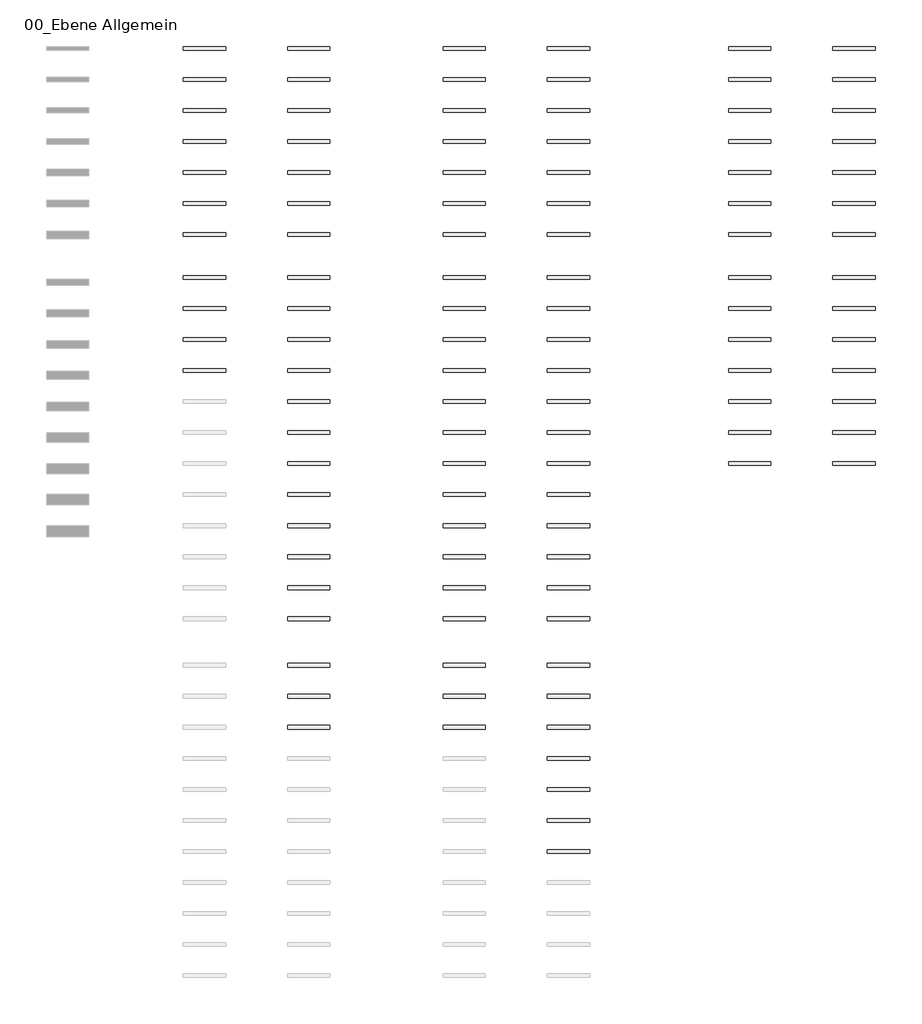
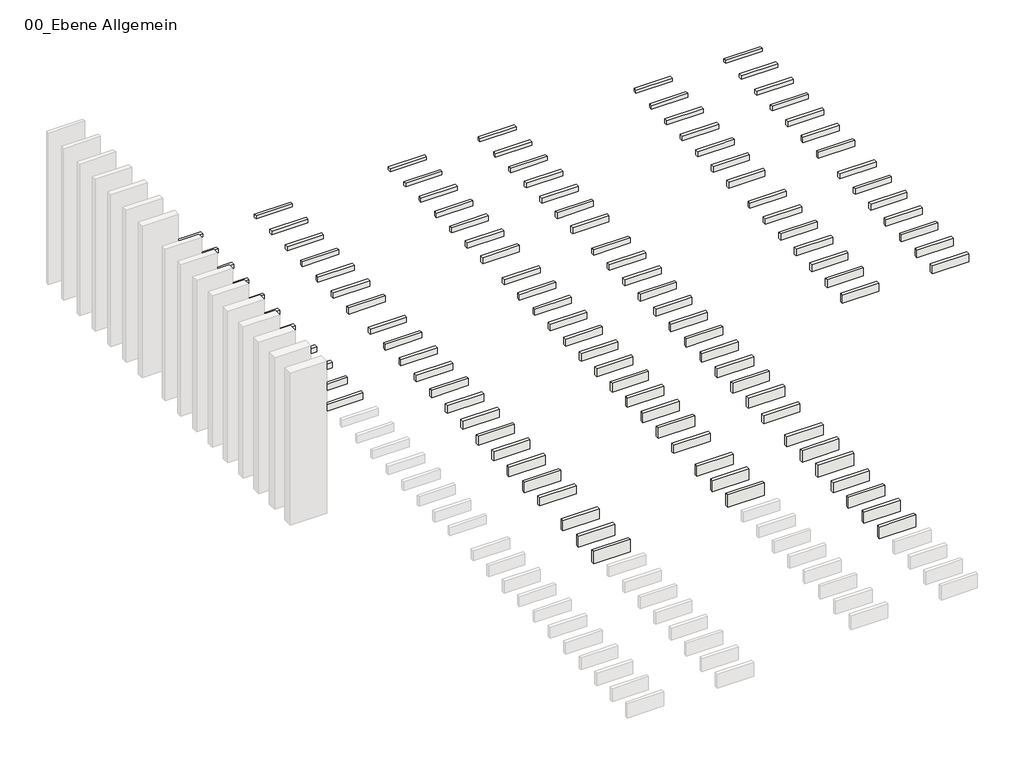
# One storey, part 2 of 2: 61 slabs, 48 roofs.
"""IFC4 building model written with IfcOpenShell, lengths in millimetres."""

from ifc_helpers import new_model, si_unit, frame, origin, origin_with_axes, place, context, project, spatial, polyline, outline, extrude, element, save

model = new_model("IFC4")

# Units and contexts
model_context = context("Model", 3, world=origin())
ifc_project = project(units=[si_unit("LENGTHUNIT", "METRE", prefix="MILLI")], contexts=[model_context])

# Site, building, storey
site = spatial("IfcSite", under=ifc_project)
building = spatial("IfcBuilding", under=site)
storey = spatial("IfcBuildingStorey", under=building, Name="00_Ebene Allgemein", Elevation=0.0)

# Roofs
placement = place(None, origin())
element("IfcRoof", 1, at=placement, inside=storey, context=model_context, shape_type="SweptSolid", body=[
    extrude(outline(polyline([(10896.5117268, 13246.5708866), (11576.5117268, 13246.5708866), (11576.5117268, 13186.5708866), (10896.5117268, 13186.5708866), (10896.5117268, 13246.5708866)])), origin_with_axes(), (0.0, 0.0, 1.0), 60.0),
])
element("IfcRoof", 2, at=placement, inside=storey, context=model_context, shape_type="SweptSolid", body=[
    extrude(outline(polyline([(10896.5117268, 12746.5708866), (11576.5117268, 12746.5708866), (11576.5117268, 12686.5708866), (10896.5117268, 12686.5708866), (10896.5117268, 12746.5708866)])), origin_with_axes(), (0.0, 0.0, 1.0), 70.0),
])
element("IfcRoof", 3, at=placement, inside=storey, context=model_context, shape_type="SweptSolid", body=[
    extrude(outline(polyline([(10896.5117268, 12246.5708866), (11576.5117268, 12246.5708866), (11576.5117268, 12186.5708866), (10896.5117268, 12186.5708866), (10896.5117268, 12246.5708866)])), origin_with_axes(), (0.0, 0.0, 1.0), 80.0),
])
element("IfcRoof", 4, at=placement, inside=storey, context=model_context, shape_type="SweptSolid", body=[
    extrude(outline(polyline([(10896.5117268, 11746.5708866), (11576.5117268, 11746.5708866), (11576.5117268, 11686.5708866), (10896.5117268, 11686.5708866), (10896.5117268, 11746.5708866)])), origin_with_axes(), (0.0, 0.0, 1.0), 90.0),
])
element("IfcRoof", 5, at=placement, inside=storey, context=model_context, shape_type="SweptSolid", body=[
    extrude(outline(polyline([(10896.5117268, 11246.5708866), (11576.5117268, 11246.5708866), (11576.5117268, 11186.5708866), (10896.5117268, 11186.5708866), (10896.5117268, 11246.5708866)])), origin_with_axes(), (0.0, 0.0, 1.0), 100.0),
])
element("IfcRoof", 6, at=placement, inside=storey, context=model_context, shape_type="SweptSolid", body=[
    extrude(outline(polyline([(10896.5117268, 10746.5708866), (11576.5117268, 10746.5708866), (11576.5117268, 10686.5708866), (10896.5117268, 10686.5708866), (10896.5117268, 10746.5708866)])), origin_with_axes(), (0.0, 0.0, 1.0), 110.0),
])
element("IfcRoof", 7, at=placement, inside=storey, context=model_context, shape_type="SweptSolid", body=[
    extrude(outline(polyline([(10896.5117268, 10246.5708866), (11576.5117268, 10246.5708866), (11576.5117268, 10186.5708866), (10896.5117268, 10186.5708866), (10896.5117268, 10246.5708866)])), origin_with_axes(), (0.0, 0.0, 1.0), 120.0),
])
element("IfcRoof", 8, at=placement, inside=storey, context=model_context, shape_type="SweptSolid", body=[
    extrude(outline(polyline([(10896.5117268, 9556.5463096), (11576.5117268, 9556.5463096), (11576.5117268, 9496.5463096), (10896.5117268, 9496.5463096), (10896.5117268, 9556.5463096)])), origin_with_axes(), (0.0, 0.0, 1.0), 100.0),
])
element("IfcRoof", 9, at=placement, inside=storey, context=model_context, shape_type="SweptSolid", body=[
    extrude(outline(polyline([(10896.5117268, 9056.5463096), (11576.5117268, 9056.5463096), (11576.5117268, 8996.5463096), (10896.5117268, 8996.5463096), (10896.5117268, 9056.5463096)])), origin_with_axes(), (0.0, 0.0, 1.0), 110.0),
])
element("IfcRoof", 10, at=placement, inside=storey, context=model_context, shape_type="SweptSolid", body=[
    extrude(outline(polyline([(10896.5117268, 8556.5463096), (11576.5117268, 8556.5463096), (11576.5117268, 8496.5463096), (10896.5117268, 8496.5463096), (10896.5117268, 8556.5463096)])), origin_with_axes(), (0.0, 0.0, 1.0), 120.0),
])
element("IfcRoof", 11, at=placement, inside=storey, context=model_context, shape_type="SweptSolid", body=[
    extrude(outline(polyline([(10896.5117268, 8056.5463096), (11576.5117268, 8056.5463096), (11576.5117268, 7996.5463096), (10896.5117268, 7996.5463096), (10896.5117268, 8056.5463096)])), origin_with_axes(), (0.0, 0.0, 1.0), 130.0),
])
element("IfcRoof", 12, at=placement, inside=storey, context=model_context, shape_type="SweptSolid", body=[
    extrude(outline(polyline([(10896.5117268, 7556.5463096), (11576.5117268, 7556.5463096), (11576.5117268, 7496.5463096), (10896.5117268, 7496.5463096), (10896.5117268, 7556.5463096)])), origin_with_axes(), (0.0, 0.0, 1.0), 140.0),
])
element("IfcRoof", 13, at=placement, inside=storey, context=model_context, shape_type="SweptSolid", body=[
    extrude(outline(polyline([(10896.5117268, 7056.5463096), (11576.5117268, 7056.5463096), (11576.5117268, 6996.5463096), (10896.5117268, 6996.5463096), (10896.5117268, 7056.5463096)])), origin_with_axes(), (0.0, 0.0, 1.0), 150.0),
])
element("IfcRoof", 14, at=placement, inside=storey, context=model_context, shape_type="SweptSolid", body=[
    extrude(outline(polyline([(10896.5117268, 6556.5463096), (11576.5117268, 6556.5463096), (11576.5117268, 6496.5463096), (10896.5117268, 6496.5463096), (10896.5117268, 6556.5463096)])), origin_with_axes(), (0.0, 0.0, 1.0), 160.0),
])
element("IfcRoof", 15, at=placement, inside=storey, context=model_context, shape_type="SweptSolid", body=[
    extrude(outline(polyline([(10896.5117268, 6056.5463096), (11576.5117268, 6056.5463096), (11576.5117268, 5996.5463096), (10896.5117268, 5996.5463096), (10896.5117268, 6056.5463096)])), origin_with_axes(), (0.0, 0.0, 1.0), 170.0),
])
element("IfcRoof", 16, at=placement, inside=storey, context=model_context, shape_type="SweptSolid", body=[
    extrude(outline(polyline([(10896.5117268, 5556.5463096), (11576.5117268, 5556.5463096), (11576.5117268, 5496.5463096), (10896.5117268, 5496.5463096), (10896.5117268, 5556.5463096)])), origin_with_axes(), (0.0, 0.0, 1.0), 180.0),
])
element("IfcRoof", 17, at=placement, inside=storey, context=model_context, shape_type="SweptSolid", body=[
    extrude(outline(polyline([(10896.5117268, 5056.5463096), (11576.5117268, 5056.5463096), (11576.5117268, 4996.5463096), (10896.5117268, 4996.5463096), (10896.5117268, 5056.5463096)])), origin_with_axes(), (0.0, 0.0, 1.0), 190.0),
])
element("IfcRoof", 18, at=placement, inside=storey, context=model_context, shape_type="SweptSolid", body=[
    extrude(outline(polyline([(10896.5117268, 4556.5463096), (11576.5117268, 4556.5463096), (11576.5117268, 4496.5463096), (10896.5117268, 4496.5463096), (10896.5117268, 4556.5463096)])), origin_with_axes(), (0.0, 0.0, 1.0), 200.0),
])
element("IfcRoof", 19, at=placement, inside=storey, context=model_context, shape_type="SweptSolid", body=[
    extrude(outline(polyline([(10896.5117268, 4056.5463096), (11576.5117268, 4056.5463096), (11576.5117268, 3996.5463096), (10896.5117268, 3996.5463096), (10896.5117268, 4056.5463096)])), origin_with_axes(), (0.0, 0.0, 1.0), 160.0),
])
element("IfcRoof", 20, at=placement, inside=storey, context=model_context, shape_type="SweptSolid", body=[
    extrude(outline(polyline([(10896.5117268, 3306.5217326), (11576.5117268, 3306.5217326), (11576.5117268, 3246.5217326), (10896.5117268, 3246.5217326), (10896.5117268, 3306.5217326)])), origin_with_axes(), (0.0, 0.0, 1.0), 200.0),
])
element("IfcRoof", 21, at=placement, inside=storey, context=model_context, shape_type="SweptSolid", body=[
    extrude(outline(polyline([(10896.5117268, 2806.5217326), (11576.5117268, 2806.5217326), (11576.5117268, 2746.5217326), (10896.5117268, 2746.5217326), (10896.5117268, 2806.5217326)])), origin_with_axes(), (0.0, 0.0, 1.0), 220.0),
])
element("IfcRoof", 22, at=placement, inside=storey, context=model_context, shape_type="SweptSolid", body=[
    extrude(outline(polyline([(10896.5117268, 2306.5217326), (11576.5117268, 2306.5217326), (11576.5117268, 2246.5217326), (10896.5117268, 2246.5217326), (10896.5117268, 2306.5217326)])), origin_with_axes(), (0.0, 0.0, 1.0), 240.0),
])
element("IfcRoof", 23, at=placement, inside=storey, context=model_context, shape_type="SweptSolid", body=[
    extrude(outline(polyline([(12576.5117268, 13246.5708866), (13256.5117268, 13246.5708866), (13256.5117268, 13186.5708866), (12576.5117268, 13186.5708866), (12576.5117268, 13246.5708866)])), origin_with_axes(), (0.0, 0.0, 1.0), 60.0),
])
element("IfcRoof", 24, at=placement, inside=storey, context=model_context, shape_type="SweptSolid", body=[
    extrude(outline(polyline([(12576.5117268, 12746.5708866), (13256.5117268, 12746.5708866), (13256.5117268, 12686.5708866), (12576.5117268, 12686.5708866), (12576.5117268, 12746.5708866)])), origin_with_axes(), (0.0, 0.0, 1.0), 70.0),
])
element("IfcRoof", 25, at=placement, inside=storey, context=model_context, shape_type="SweptSolid", body=[
    extrude(outline(polyline([(12576.5117268, 12246.5708866), (13256.5117268, 12246.5708866), (13256.5117268, 12186.5708866), (12576.5117268, 12186.5708866), (12576.5117268, 12246.5708866)])), origin_with_axes(), (0.0, 0.0, 1.0), 80.0),
])
element("IfcRoof", 26, at=placement, inside=storey, context=model_context, shape_type="SweptSolid", body=[
    extrude(outline(polyline([(12576.5117268, 11746.5708866), (13256.5117268, 11746.5708866), (13256.5117268, 11686.5708866), (12576.5117268, 11686.5708866), (12576.5117268, 11746.5708866)])), origin_with_axes(), (0.0, 0.0, 1.0), 90.0),
])
element("IfcRoof", 27, at=placement, inside=storey, context=model_context, shape_type="SweptSolid", body=[
    extrude(outline(polyline([(12576.5117268, 11246.5708866), (13256.5117268, 11246.5708866), (13256.5117268, 11186.5708866), (12576.5117268, 11186.5708866), (12576.5117268, 11246.5708866)])), origin_with_axes(), (0.0, 0.0, 1.0), 100.0),
])
element("IfcRoof", 28, at=placement, inside=storey, context=model_context, shape_type="SweptSolid", body=[
    extrude(outline(polyline([(12576.5117268, 10746.5708866), (13256.5117268, 10746.5708866), (13256.5117268, 10686.5708866), (12576.5117268, 10686.5708866), (12576.5117268, 10746.5708866)])), origin_with_axes(), (0.0, 0.0, 1.0), 110.0),
])
element("IfcRoof", 29, at=placement, inside=storey, context=model_context, shape_type="SweptSolid", body=[
    extrude(outline(polyline([(12576.5117268, 10246.5708866), (13256.5117268, 10246.5708866), (13256.5117268, 10186.5708866), (12576.5117268, 10186.5708866), (12576.5117268, 10246.5708866)])), origin_with_axes(), (0.0, 0.0, 1.0), 120.0),
])
element("IfcRoof", 30, at=placement, inside=storey, context=model_context, shape_type="SweptSolid", body=[
    extrude(outline(polyline([(12576.5117268, 9556.5463096), (13256.5117268, 9556.5463096), (13256.5117268, 9496.5463096), (12576.5117268, 9496.5463096), (12576.5117268, 9556.5463096)])), origin_with_axes(), (0.0, 0.0, 1.0), 100.0),
])
element("IfcRoof", 31, at=placement, inside=storey, context=model_context, shape_type="SweptSolid", body=[
    extrude(outline(polyline([(12576.5117268, 9056.5463096), (13256.5117268, 9056.5463096), (13256.5117268, 8996.5463096), (12576.5117268, 8996.5463096), (12576.5117268, 9056.5463096)])), origin_with_axes(), (0.0, 0.0, 1.0), 110.0),
])
element("IfcRoof", 32, at=placement, inside=storey, context=model_context, shape_type="SweptSolid", body=[
    extrude(outline(polyline([(12576.5117268, 8556.5463096), (13256.5117268, 8556.5463096), (13256.5117268, 8496.5463096), (12576.5117268, 8496.5463096), (12576.5117268, 8556.5463096)])), origin_with_axes(), (0.0, 0.0, 1.0), 120.0),
])
element("IfcRoof", 33, at=placement, inside=storey, context=model_context, shape_type="SweptSolid", body=[
    extrude(outline(polyline([(12576.5117268, 8056.5463096), (13256.5117268, 8056.5463096), (13256.5117268, 7996.5463096), (12576.5117268, 7996.5463096), (12576.5117268, 8056.5463096)])), origin_with_axes(), (0.0, 0.0, 1.0), 130.0),
])
element("IfcRoof", 34, at=placement, inside=storey, context=model_context, shape_type="SweptSolid", body=[
    extrude(outline(polyline([(12576.5117268, 7556.5463096), (13256.5117268, 7556.5463096), (13256.5117268, 7496.5463096), (12576.5117268, 7496.5463096), (12576.5117268, 7556.5463096)])), origin_with_axes(), (0.0, 0.0, 1.0), 140.0),
])
element("IfcRoof", 35, at=placement, inside=storey, context=model_context, shape_type="SweptSolid", body=[
    extrude(outline(polyline([(12576.5117268, 7056.5463096), (13256.5117268, 7056.5463096), (13256.5117268, 6996.5463096), (12576.5117268, 6996.5463096), (12576.5117268, 7056.5463096)])), origin_with_axes(), (0.0, 0.0, 1.0), 150.0),
])
element("IfcRoof", 36, at=placement, inside=storey, context=model_context, shape_type="SweptSolid", body=[
    extrude(outline(polyline([(12576.5117268, 6556.5463096), (13256.5117268, 6556.5463096), (13256.5117268, 6496.5463096), (12576.5117268, 6496.5463096), (12576.5117268, 6556.5463096)])), origin_with_axes(), (0.0, 0.0, 1.0), 160.0),
])
element("IfcRoof", 37, at=placement, inside=storey, context=model_context, shape_type="SweptSolid", body=[
    extrude(outline(polyline([(12576.5117268, 6056.5463096), (13256.5117268, 6056.5463096), (13256.5117268, 5996.5463096), (12576.5117268, 5996.5463096), (12576.5117268, 6056.5463096)])), origin_with_axes(), (0.0, 0.0, 1.0), 170.0),
])
element("IfcRoof", 38, at=placement, inside=storey, context=model_context, shape_type="SweptSolid", body=[
    extrude(outline(polyline([(12576.5117268, 5556.5463096), (13256.5117268, 5556.5463096), (13256.5117268, 5496.5463096), (12576.5117268, 5496.5463096), (12576.5117268, 5556.5463096)])), origin_with_axes(), (0.0, 0.0, 1.0), 180.0),
])
element("IfcRoof", 39, at=placement, inside=storey, context=model_context, shape_type="SweptSolid", body=[
    extrude(outline(polyline([(12576.5117268, 5056.5463096), (13256.5117268, 5056.5463096), (13256.5117268, 4996.5463096), (12576.5117268, 4996.5463096), (12576.5117268, 5056.5463096)])), origin_with_axes(), (0.0, 0.0, 1.0), 190.0),
])
element("IfcRoof", 40, at=placement, inside=storey, context=model_context, shape_type="SweptSolid", body=[
    extrude(outline(polyline([(12576.5117268, 4556.5463096), (13256.5117268, 4556.5463096), (13256.5117268, 4496.5463096), (12576.5117268, 4496.5463096), (12576.5117268, 4556.5463096)])), origin_with_axes(), (0.0, 0.0, 1.0), 200.0),
])
element("IfcRoof", 41, at=placement, inside=storey, context=model_context, shape_type="SweptSolid", body=[
    extrude(outline(polyline([(12576.5117268, 4056.5463096), (13256.5117268, 4056.5463096), (13256.5117268, 3996.5463096), (12576.5117268, 3996.5463096), (12576.5117268, 4056.5463096)])), origin_with_axes(), (0.0, 0.0, 1.0), 160.0),
])
element("IfcRoof", 42, at=placement, inside=storey, context=model_context, shape_type="SweptSolid", body=[
    extrude(outline(polyline([(12576.5117268, 3306.5217326), (13256.5117268, 3306.5217326), (13256.5117268, 3246.5217326), (12576.5117268, 3246.5217326), (12576.5117268, 3306.5217326)])), origin_with_axes(), (0.0, 0.0, 1.0), 200.0),
])
element("IfcRoof", 43, at=placement, inside=storey, context=model_context, shape_type="SweptSolid", body=[
    extrude(outline(polyline([(12576.5117268, 2806.5217326), (13256.5117268, 2806.5217326), (13256.5117268, 2746.5217326), (12576.5117268, 2746.5217326), (12576.5117268, 2806.5217326)])), origin_with_axes(), (0.0, 0.0, 1.0), 220.0),
])
element("IfcRoof", 44, at=placement, inside=storey, context=model_context, shape_type="SweptSolid", body=[
    extrude(outline(polyline([(12576.5117268, 2306.5217326), (13256.5117268, 2306.5217326), (13256.5117268, 2246.5217326), (12576.5117268, 2246.5217326), (12576.5117268, 2306.5217326)])), origin_with_axes(), (0.0, 0.0, 1.0), 240.0),
])
element("IfcRoof", 45, at=placement, inside=storey, context=model_context, shape_type="SweptSolid", body=[
    extrude(outline(polyline([(12576.5117268, 1806.5217326), (13256.5117268, 1806.5217326), (13256.5117268, 1746.5217326), (12576.5117268, 1746.5217326), (12576.5117268, 1806.5217326)])), origin_with_axes(), (0.0, 0.0, 1.0), 200.0),
])
element("IfcRoof", 46, at=placement, inside=storey, context=model_context, shape_type="SweptSolid", body=[
    extrude(outline(polyline([(12576.5117268, 1306.5217326), (13256.5117268, 1306.5217326), (13256.5117268, 1246.5217326), (12576.5117268, 1246.5217326), (12576.5117268, 1306.5217326)])), origin_with_axes(), (0.0, 0.0, 1.0), 210.0),
])
element("IfcRoof", 47, at=placement, inside=storey, context=model_context, shape_type="SweptSolid", body=[
    extrude(outline(polyline([(12576.5117268, 806.5217326), (13256.5117268, 806.5217326), (13256.5117268, 746.5217326), (12576.5117268, 746.5217326), (12576.5117268, 806.5217326)])), origin_with_axes(), (0.0, 0.0, 1.0), 220.0),
])
element("IfcRoof", 48, at=placement, inside=storey, context=model_context, shape_type="SweptSolid", body=[
    extrude(outline(polyline([(12576.5117268, 306.5217326), (13256.5117268, 306.5217326), (13256.5117268, 246.5217326), (12576.5117268, 246.5217326), (12576.5117268, 306.5217326)])), origin_with_axes(), (0.0, 0.0, 1.0), 230.0),
])

# Slabs
element("IfcSlab", 49, at=placement, inside=storey, context=model_context, shape_type="SweptSolid", body=[
    extrude(outline(polyline([(6710.9873688, 13246.5708866), (7390.9873688, 13246.5708866), (7390.9873688, 13186.5708866), (6710.9873688, 13186.5708866), (6710.9873688, 13246.5708866)])), frame((0.0, 0.0, -60.0), z_axis=(0.0, 0.0, 1.0), x_axis=(1.0, 0.0, 0.0)), (0.0, 0.0, 1.0), 60.0),
])
element("IfcSlab", 50, at=placement, inside=storey, context=model_context, shape_type="SweptSolid", body=[
    extrude(outline(polyline([(6710.9873688, 12746.5708866), (7390.9873688, 12746.5708866), (7390.9873688, 12686.5708866), (6710.9873688, 12686.5708866), (6710.9873688, 12746.5708866)])), frame((0.0, 0.0, -70.0), z_axis=(0.0, 0.0, 1.0), x_axis=(1.0, 0.0, 0.0)), (0.0, 0.0, 1.0), 70.0),
])
element("IfcSlab", 51, at=placement, inside=storey, context=model_context, shape_type="SweptSolid", body=[
    extrude(outline(polyline([(6710.9873688, 12246.5708866), (7390.9873688, 12246.5708866), (7390.9873688, 12186.5708866), (6710.9873688, 12186.5708866), (6710.9873688, 12246.5708866)])), frame((0.0, 0.0, -80.0), z_axis=(0.0, 0.0, 1.0), x_axis=(1.0, 0.0, 0.0)), (0.0, 0.0, 1.0), 80.0),
])
element("IfcSlab", 52, at=placement, inside=storey, context=model_context, shape_type="SweptSolid", body=[
    extrude(outline(polyline([(6710.9873688, 11746.5708866), (7390.9873688, 11746.5708866), (7390.9873688, 11686.5708866), (6710.9873688, 11686.5708866), (6710.9873688, 11746.5708866)])), frame((0.0, 0.0, -90.0), z_axis=(0.0, 0.0, 1.0), x_axis=(1.0, 0.0, 0.0)), (0.0, 0.0, 1.0), 90.0),
])
element("IfcSlab", 53, at=placement, inside=storey, context=model_context, shape_type="SweptSolid", body=[
    extrude(outline(polyline([(6710.9873688, 11246.5708866), (7390.9873688, 11246.5708866), (7390.9873688, 11186.5708866), (6710.9873688, 11186.5708866), (6710.9873688, 11246.5708866)])), frame((0.0, 0.0, -100.0), z_axis=(0.0, 0.0, 1.0), x_axis=(1.0, 0.0, 0.0)), (0.0, 0.0, 1.0), 100.0),
])
element("IfcSlab", 54, at=placement, inside=storey, context=model_context, shape_type="SweptSolid", body=[
    extrude(outline(polyline([(6710.9873688, 10746.5708866), (7390.9873688, 10746.5708866), (7390.9873688, 10686.5708866), (6710.9873688, 10686.5708866), (6710.9873688, 10746.5708866)])), frame((0.0, 0.0, -110.0), z_axis=(0.0, 0.0, 1.0), x_axis=(1.0, 0.0, 0.0)), (0.0, 0.0, 1.0), 110.0),
])
element("IfcSlab", 55, at=placement, inside=storey, context=model_context, shape_type="SweptSolid", body=[
    extrude(outline(polyline([(6710.9873688, 10246.5708866), (7390.9873688, 10246.5708866), (7390.9873688, 10186.5708866), (6710.9873688, 10186.5708866), (6710.9873688, 10246.5708866)])), frame((0.0, 0.0, -120.0), z_axis=(0.0, 0.0, 1.0), x_axis=(1.0, 0.0, 0.0)), (0.0, 0.0, 1.0), 120.0),
])
element("IfcSlab", 56, at=placement, inside=storey, context=model_context, shape_type="SweptSolid", body=[
    extrude(outline(polyline([(6710.9873688, 9556.5463096), (7390.9873688, 9556.5463096), (7390.9873688, 9496.5463096), (6710.9873688, 9496.5463096), (6710.9873688, 9556.5463096)])), frame((0.0, 0.0, -100.0), z_axis=(0.0, 0.0, 1.0), x_axis=(1.0, 0.0, 0.0)), (0.0, 0.0, 1.0), 100.0),
])
element("IfcSlab", 57, at=placement, inside=storey, context=model_context, shape_type="SweptSolid", body=[
    extrude(outline(polyline([(6710.9873688, 9056.5463096), (7390.9873688, 9056.5463096), (7390.9873688, 8996.5463096), (6710.9873688, 8996.5463096), (6710.9873688, 9056.5463096)])), frame((0.0, 0.0, -110.0), z_axis=(0.0, 0.0, 1.0), x_axis=(1.0, 0.0, 0.0)), (0.0, 0.0, 1.0), 110.0),
])
element("IfcSlab", 58, at=placement, inside=storey, context=model_context, shape_type="SweptSolid", body=[
    extrude(outline(polyline([(6710.9873688, 8556.5463096), (7390.9873688, 8556.5463096), (7390.9873688, 8496.5463096), (6710.9873688, 8496.5463096), (6710.9873688, 8556.5463096)])), frame((0.0, 0.0, -120.0), z_axis=(0.0, 0.0, 1.0), x_axis=(1.0, 0.0, 0.0)), (0.0, 0.0, 1.0), 120.0),
])
element("IfcSlab", 59, at=placement, inside=storey, context=model_context, shape_type="SweptSolid", body=[
    extrude(outline(polyline([(6710.9873688, 8056.5463096), (7390.9873688, 8056.5463096), (7390.9873688, 7996.5463096), (6710.9873688, 7996.5463096), (6710.9873688, 8056.5463096)])), frame((0.0, 0.0, -130.0), z_axis=(0.0, 0.0, 1.0), x_axis=(1.0, 0.0, 0.0)), (0.0, 0.0, 1.0), 130.0),
])
element("IfcSlab", 60, at=placement, inside=storey, context=model_context, shape_type="SweptSolid", body=[
    extrude(outline(polyline([(8390.9873688, 13246.5708866), (9070.9873688, 13246.5708866), (9070.9873688, 13186.5708866), (8390.9873688, 13186.5708866), (8390.9873688, 13246.5708866)])), frame((0.0, 0.0, -60.0), z_axis=(0.0, 0.0, 1.0), x_axis=(1.0, 0.0, 0.0)), (0.0, 0.0, 1.0), 60.0),
])
element("IfcSlab", 61, at=placement, inside=storey, context=model_context, shape_type="SweptSolid", body=[
    extrude(outline(polyline([(8390.9873688, 12746.5708866), (9070.9873688, 12746.5708866), (9070.9873688, 12686.5708866), (8390.9873688, 12686.5708866), (8390.9873688, 12746.5708866)])), frame((0.0, 0.0, -70.0), z_axis=(0.0, 0.0, 1.0), x_axis=(1.0, 0.0, 0.0)), (0.0, 0.0, 1.0), 70.0),
])
element("IfcSlab", 62, at=placement, inside=storey, context=model_context, shape_type="SweptSolid", body=[
    extrude(outline(polyline([(8390.9873688, 12246.5708866), (9070.9873688, 12246.5708866), (9070.9873688, 12186.5708866), (8390.9873688, 12186.5708866), (8390.9873688, 12246.5708866)])), frame((0.0, 0.0, -80.0), z_axis=(0.0, 0.0, 1.0), x_axis=(1.0, 0.0, 0.0)), (0.0, 0.0, 1.0), 80.0),
])
element("IfcSlab", 63, at=placement, inside=storey, context=model_context, shape_type="SweptSolid", body=[
    extrude(outline(polyline([(8390.9873688, 11746.5708866), (9070.9873688, 11746.5708866), (9070.9873688, 11686.5708866), (8390.9873688, 11686.5708866), (8390.9873688, 11746.5708866)])), frame((0.0, 0.0, -90.0), z_axis=(0.0, 0.0, 1.0), x_axis=(1.0, 0.0, 0.0)), (0.0, 0.0, 1.0), 90.0),
])
element("IfcSlab", 64, at=placement, inside=storey, context=model_context, shape_type="SweptSolid", body=[
    extrude(outline(polyline([(8390.9873688, 11246.5708866), (9070.9873688, 11246.5708866), (9070.9873688, 11186.5708866), (8390.9873688, 11186.5708866), (8390.9873688, 11246.5708866)])), frame((0.0, 0.0, -100.0), z_axis=(0.0, 0.0, 1.0), x_axis=(1.0, 0.0, 0.0)), (0.0, 0.0, 1.0), 100.0),
])
element("IfcSlab", 65, at=placement, inside=storey, context=model_context, shape_type="SweptSolid", body=[
    extrude(outline(polyline([(8390.9873688, 10746.5708866), (9070.9873688, 10746.5708866), (9070.9873688, 10686.5708866), (8390.9873688, 10686.5708866), (8390.9873688, 10746.5708866)])), frame((0.0, 0.0, -110.0), z_axis=(0.0, 0.0, 1.0), x_axis=(1.0, 0.0, 0.0)), (0.0, 0.0, 1.0), 110.0),
])
element("IfcSlab", 66, at=placement, inside=storey, context=model_context, shape_type="SweptSolid", body=[
    extrude(outline(polyline([(8390.9873688, 10246.5708866), (9070.9873688, 10246.5708866), (9070.9873688, 10186.5708866), (8390.9873688, 10186.5708866), (8390.9873688, 10246.5708866)])), frame((0.0, 0.0, -120.0), z_axis=(0.0, 0.0, 1.0), x_axis=(1.0, 0.0, 0.0)), (0.0, 0.0, 1.0), 120.0),
])
element("IfcSlab", 67, at=placement, inside=storey, context=model_context, shape_type="SweptSolid", body=[
    extrude(outline(polyline([(8390.9873688, 9556.5463096), (9070.9873688, 9556.5463096), (9070.9873688, 9496.5463096), (8390.9873688, 9496.5463096), (8390.9873688, 9556.5463096)])), frame((0.0, 0.0, -100.0), z_axis=(0.0, 0.0, 1.0), x_axis=(1.0, 0.0, 0.0)), (0.0, 0.0, 1.0), 100.0),
])
element("IfcSlab", 68, at=placement, inside=storey, context=model_context, shape_type="SweptSolid", body=[
    extrude(outline(polyline([(8390.9873688, 9056.5463096), (9070.9873688, 9056.5463096), (9070.9873688, 8996.5463096), (8390.9873688, 8996.5463096), (8390.9873688, 9056.5463096)])), frame((0.0, 0.0, -110.0), z_axis=(0.0, 0.0, 1.0), x_axis=(1.0, 0.0, 0.0)), (0.0, 0.0, 1.0), 110.0),
])
element("IfcSlab", 69, at=placement, inside=storey, context=model_context, shape_type="SweptSolid", body=[
    extrude(outline(polyline([(8390.9873688, 8556.5463096), (9070.9873688, 8556.5463096), (9070.9873688, 8496.5463096), (8390.9873688, 8496.5463096), (8390.9873688, 8556.5463096)])), frame((0.0, 0.0, -120.0), z_axis=(0.0, 0.0, 1.0), x_axis=(1.0, 0.0, 0.0)), (0.0, 0.0, 1.0), 120.0),
])
element("IfcSlab", 70, at=placement, inside=storey, context=model_context, shape_type="SweptSolid", body=[
    extrude(outline(polyline([(8390.9873688, 8056.5463096), (9070.9873688, 8056.5463096), (9070.9873688, 7996.5463096), (8390.9873688, 7996.5463096), (8390.9873688, 8056.5463096)])), frame((0.0, 0.0, -130.0), z_axis=(0.0, 0.0, 1.0), x_axis=(1.0, 0.0, 0.0)), (0.0, 0.0, 1.0), 130.0),
])
element("IfcSlab", 71, at=placement, inside=storey, context=model_context, shape_type="SweptSolid", body=[
    extrude(outline(polyline([(8390.9873688, 7556.5463096), (9070.9873688, 7556.5463096), (9070.9873688, 7496.5463096), (8390.9873688, 7496.5463096), (8390.9873688, 7556.5463096)])), frame((0.0, 0.0, -140.0), z_axis=(0.0, 0.0, 1.0), x_axis=(1.0, 0.0, 0.0)), (0.0, 0.0, 1.0), 140.0),
])
element("IfcSlab", 72, at=placement, inside=storey, context=model_context, shape_type="SweptSolid", body=[
    extrude(outline(polyline([(8390.9873688, 7056.5463096), (9070.9873688, 7056.5463096), (9070.9873688, 6996.5463096), (8390.9873688, 6996.5463096), (8390.9873688, 7056.5463096)])), frame((0.0, 0.0, -150.0), z_axis=(0.0, 0.0, 1.0), x_axis=(1.0, 0.0, 0.0)), (0.0, 0.0, 1.0), 150.0),
])
element("IfcSlab", 73, at=placement, inside=storey, context=model_context, shape_type="SweptSolid", body=[
    extrude(outline(polyline([(8390.9873688, 6556.5463096), (9070.9873688, 6556.5463096), (9070.9873688, 6496.5463096), (8390.9873688, 6496.5463096), (8390.9873688, 6556.5463096)])), frame((0.0, 0.0, -160.0), z_axis=(0.0, 0.0, 1.0), x_axis=(1.0, 0.0, 0.0)), (0.0, 0.0, 1.0), 160.0),
])
element("IfcSlab", 74, at=placement, inside=storey, context=model_context, shape_type="SweptSolid", body=[
    extrude(outline(polyline([(8390.9873688, 6056.5463096), (9070.9873688, 6056.5463096), (9070.9873688, 5996.5463096), (8390.9873688, 5996.5463096), (8390.9873688, 6056.5463096)])), frame((0.0, 0.0, -170.0), z_axis=(0.0, 0.0, 1.0), x_axis=(1.0, 0.0, 0.0)), (0.0, 0.0, 1.0), 170.0),
])
element("IfcSlab", 75, at=placement, inside=storey, context=model_context, shape_type="SweptSolid", body=[
    extrude(outline(polyline([(8390.9873688, 5556.5463096), (9070.9873688, 5556.5463096), (9070.9873688, 5496.5463096), (8390.9873688, 5496.5463096), (8390.9873688, 5556.5463096)])), frame((0.0, 0.0, -180.0), z_axis=(0.0, 0.0, 1.0), x_axis=(1.0, 0.0, 0.0)), (0.0, 0.0, 1.0), 180.0),
])
element("IfcSlab", 76, at=placement, inside=storey, context=model_context, shape_type="SweptSolid", body=[
    extrude(outline(polyline([(8390.9873688, 5056.5463096), (9070.9873688, 5056.5463096), (9070.9873688, 4996.5463096), (8390.9873688, 4996.5463096), (8390.9873688, 5056.5463096)])), frame((0.0, 0.0, -190.0), z_axis=(0.0, 0.0, 1.0), x_axis=(1.0, 0.0, 0.0)), (0.0, 0.0, 1.0), 190.0),
])
element("IfcSlab", 77, at=placement, inside=storey, context=model_context, shape_type="SweptSolid", body=[
    extrude(outline(polyline([(8390.9873688, 4556.5463096), (9070.9873688, 4556.5463096), (9070.9873688, 4496.5463096), (8390.9873688, 4496.5463096), (8390.9873688, 4556.5463096)])), frame((0.0, 0.0, -200.0), z_axis=(0.0, 0.0, 1.0), x_axis=(1.0, 0.0, 0.0)), (0.0, 0.0, 1.0), 200.0),
])
element("IfcSlab", 78, at=placement, inside=storey, context=model_context, shape_type="SweptSolid", body=[
    extrude(outline(polyline([(8390.9873688, 4056.5463096), (9070.9873688, 4056.5463096), (9070.9873688, 3996.5463096), (8390.9873688, 3996.5463096), (8390.9873688, 4056.5463096)])), frame((0.0, 0.0, -160.0), z_axis=(0.0, 0.0, 1.0), x_axis=(1.0, 0.0, 0.0)), (0.0, 0.0, 1.0), 160.0),
])
element("IfcSlab", 79, at=placement, inside=storey, context=model_context, shape_type="SweptSolid", body=[
    extrude(outline(polyline([(8390.9873688, 3306.5217326), (9070.9873688, 3306.5217326), (9070.9873688, 3246.5217326), (8390.9873688, 3246.5217326), (8390.9873688, 3306.5217326)])), frame((0.0, 0.0, -200.0), z_axis=(0.0, 0.0, 1.0), x_axis=(1.0, 0.0, 0.0)), (0.0, 0.0, 1.0), 200.0),
])
element("IfcSlab", 80, at=placement, inside=storey, context=model_context, shape_type="SweptSolid", body=[
    extrude(outline(polyline([(8390.9873688, 2806.5217326), (9070.9873688, 2806.5217326), (9070.9873688, 2746.5217326), (8390.9873688, 2746.5217326), (8390.9873688, 2806.5217326)])), frame((0.0, 0.0, -220.0), z_axis=(0.0, 0.0, 1.0), x_axis=(1.0, 0.0, 0.0)), (0.0, 0.0, 1.0), 220.0),
])
element("IfcSlab", 81, at=placement, inside=storey, context=model_context, shape_type="SweptSolid", body=[
    extrude(outline(polyline([(8390.9873688, 2306.5217326), (9070.9873688, 2306.5217326), (9070.9873688, 2246.5217326), (8390.9873688, 2246.5217326), (8390.9873688, 2306.5217326)])), frame((0.0, 0.0, -240.0), z_axis=(0.0, 0.0, 1.0), x_axis=(1.0, 0.0, 0.0)), (0.0, 0.0, 1.0), 240.0),
])
element("IfcSlab", 82, at=placement, inside=storey, context=model_context, shape_type="SweptSolid", body=[
    extrude(outline(polyline([(15494.9702105, 13246.5708866), (16174.9702105, 13246.5708866), (16174.9702105, 13186.5708866), (15494.9702105, 13186.5708866), (15494.9702105, 13246.5708866)])), frame((0.0, 0.0, -60.0), z_axis=(0.0, 0.0, 1.0), x_axis=(1.0, 0.0, 0.0)), (0.0, 0.0, 1.0), 60.0),
])
element("IfcSlab", 83, at=placement, inside=storey, context=model_context, shape_type="SweptSolid", body=[
    extrude(outline(polyline([(15494.9702105, 12746.5708866), (16174.9702105, 12746.5708866), (16174.9702105, 12686.5708866), (15494.9702105, 12686.5708866), (15494.9702105, 12746.5708866)])), frame((0.0, 0.0, -70.0), z_axis=(0.0, 0.0, 1.0), x_axis=(1.0, 0.0, 0.0)), (0.0, 0.0, 1.0), 70.0),
])
element("IfcSlab", 84, at=placement, inside=storey, context=model_context, shape_type="SweptSolid", body=[
    extrude(outline(polyline([(15494.9702105, 12246.5708866), (16174.9702105, 12246.5708866), (16174.9702105, 12186.5708866), (15494.9702105, 12186.5708866), (15494.9702105, 12246.5708866)])), frame((0.0, 0.0, -80.0), z_axis=(0.0, 0.0, 1.0), x_axis=(1.0, 0.0, 0.0)), (0.0, 0.0, 1.0), 80.0),
])
element("IfcSlab", 85, at=placement, inside=storey, context=model_context, shape_type="SweptSolid", body=[
    extrude(outline(polyline([(15494.9702105, 11746.5708866), (16174.9702105, 11746.5708866), (16174.9702105, 11686.5708866), (15494.9702105, 11686.5708866), (15494.9702105, 11746.5708866)])), frame((0.0, 0.0, -90.0), z_axis=(0.0, 0.0, 1.0), x_axis=(1.0, 0.0, 0.0)), (0.0, 0.0, 1.0), 90.0),
])
element("IfcSlab", 86, at=placement, inside=storey, context=model_context, shape_type="SweptSolid", body=[
    extrude(outline(polyline([(15494.9702105, 11246.5708866), (16174.9702105, 11246.5708866), (16174.9702105, 11186.5708866), (15494.9702105, 11186.5708866), (15494.9702105, 11246.5708866)])), frame((0.0, 0.0, -100.0), z_axis=(0.0, 0.0, 1.0), x_axis=(1.0, 0.0, 0.0)), (0.0, 0.0, 1.0), 100.0),
])
element("IfcSlab", 87, at=placement, inside=storey, context=model_context, shape_type="SweptSolid", body=[
    extrude(outline(polyline([(15494.9702105, 10746.5708866), (16174.9702105, 10746.5708866), (16174.9702105, 10686.5708866), (15494.9702105, 10686.5708866), (15494.9702105, 10746.5708866)])), frame((0.0, 0.0, -110.0), z_axis=(0.0, 0.0, 1.0), x_axis=(1.0, 0.0, 0.0)), (0.0, 0.0, 1.0), 110.0),
])
element("IfcSlab", 88, at=placement, inside=storey, context=model_context, shape_type="SweptSolid", body=[
    extrude(outline(polyline([(15494.9702105, 10246.5708866), (16174.9702105, 10246.5708866), (16174.9702105, 10186.5708866), (15494.9702105, 10186.5708866), (15494.9702105, 10246.5708866)])), frame((0.0, 0.0, -120.0), z_axis=(0.0, 0.0, 1.0), x_axis=(1.0, 0.0, 0.0)), (0.0, 0.0, 1.0), 120.0),
])
element("IfcSlab", 89, at=placement, inside=storey, context=model_context, shape_type="SweptSolid", body=[
    extrude(outline(polyline([(15494.9702105, 9556.5463096), (16174.9702105, 9556.5463096), (16174.9702105, 9496.5463096), (15494.9702105, 9496.5463096), (15494.9702105, 9556.5463096)])), frame((0.0, 0.0, -100.0), z_axis=(0.0, 0.0, 1.0), x_axis=(1.0, 0.0, 0.0)), (0.0, 0.0, 1.0), 100.0),
])
element("IfcSlab", 90, at=placement, inside=storey, context=model_context, shape_type="SweptSolid", body=[
    extrude(outline(polyline([(15494.9702105, 9056.5463096), (16174.9702105, 9056.5463096), (16174.9702105, 8996.5463096), (15494.9702105, 8996.5463096), (15494.9702105, 9056.5463096)])), frame((0.0, 0.0, -110.0), z_axis=(0.0, 0.0, 1.0), x_axis=(1.0, 0.0, 0.0)), (0.0, 0.0, 1.0), 110.0),
])
element("IfcSlab", 91, at=placement, inside=storey, context=model_context, shape_type="SweptSolid", body=[
    extrude(outline(polyline([(15494.9702105, 8556.5463096), (16174.9702105, 8556.5463096), (16174.9702105, 8496.5463096), (15494.9702105, 8496.5463096), (15494.9702105, 8556.5463096)])), frame((0.0, 0.0, -120.0), z_axis=(0.0, 0.0, 1.0), x_axis=(1.0, 0.0, 0.0)), (0.0, 0.0, 1.0), 120.0),
])
element("IfcSlab", 92, at=placement, inside=storey, context=model_context, shape_type="SweptSolid", body=[
    extrude(outline(polyline([(15494.9702105, 8056.5463096), (16174.9702105, 8056.5463096), (16174.9702105, 7996.5463096), (15494.9702105, 7996.5463096), (15494.9702105, 8056.5463096)])), frame((0.0, 0.0, -130.0), z_axis=(0.0, 0.0, 1.0), x_axis=(1.0, 0.0, 0.0)), (0.0, 0.0, 1.0), 130.0),
])
element("IfcSlab", 93, at=placement, inside=storey, context=model_context, shape_type="SweptSolid", body=[
    extrude(outline(polyline([(15494.9702105, 7556.5463096), (16174.9702105, 7556.5463096), (16174.9702105, 7496.5463096), (15494.9702105, 7496.5463096), (15494.9702105, 7556.5463096)])), frame((0.0, 0.0, -140.0), z_axis=(0.0, 0.0, 1.0), x_axis=(1.0, 0.0, 0.0)), (0.0, 0.0, 1.0), 140.0),
])
element("IfcSlab", 94, at=placement, inside=storey, context=model_context, shape_type="SweptSolid", body=[
    extrude(outline(polyline([(15494.9702105, 7056.5463096), (16174.9702105, 7056.5463096), (16174.9702105, 6996.5463096), (15494.9702105, 6996.5463096), (15494.9702105, 7056.5463096)])), frame((0.0, 0.0, -150.0), z_axis=(0.0, 0.0, 1.0), x_axis=(1.0, 0.0, 0.0)), (0.0, 0.0, 1.0), 150.0),
])
element("IfcSlab", 95, at=placement, inside=storey, context=model_context, shape_type="SweptSolid", body=[
    extrude(outline(polyline([(15494.9702105, 6556.5463096), (16174.9702105, 6556.5463096), (16174.9702105, 6496.5463096), (15494.9702105, 6496.5463096), (15494.9702105, 6556.5463096)])), frame((0.0, 0.0, -160.0), z_axis=(0.0, 0.0, 1.0), x_axis=(1.0, 0.0, 0.0)), (0.0, 0.0, 1.0), 160.0),
])
element("IfcSlab", 96, at=placement, inside=storey, context=model_context, shape_type="SweptSolid", body=[
    extrude(outline(polyline([(17174.9702105, 13246.5708866), (17854.9702105, 13246.5708866), (17854.9702105, 13186.5708866), (17174.9702105, 13186.5708866), (17174.9702105, 13246.5708866)])), frame((0.0, 0.0, -60.0), z_axis=(0.0, 0.0, 1.0), x_axis=(1.0, 0.0, 0.0)), (0.0, 0.0, 1.0), 60.0),
])
element("IfcSlab", 97, at=placement, inside=storey, context=model_context, shape_type="SweptSolid", body=[
    extrude(outline(polyline([(17174.9702105, 12746.5708866), (17854.9702105, 12746.5708866), (17854.9702105, 12686.5708866), (17174.9702105, 12686.5708866), (17174.9702105, 12746.5708866)])), frame((0.0, 0.0, -70.0), z_axis=(0.0, 0.0, 1.0), x_axis=(1.0, 0.0, 0.0)), (0.0, 0.0, 1.0), 70.0),
])
element("IfcSlab", 98, at=placement, inside=storey, context=model_context, shape_type="SweptSolid", body=[
    extrude(outline(polyline([(17174.9702105, 12246.5708866), (17854.9702105, 12246.5708866), (17854.9702105, 12186.5708866), (17174.9702105, 12186.5708866), (17174.9702105, 12246.5708866)])), frame((0.0, 0.0, -80.0), z_axis=(0.0, 0.0, 1.0), x_axis=(1.0, 0.0, 0.0)), (0.0, 0.0, 1.0), 80.0),
])
element("IfcSlab", 99, at=placement, inside=storey, context=model_context, shape_type="SweptSolid", body=[
    extrude(outline(polyline([(17174.9702105, 11746.5708866), (17854.9702105, 11746.5708866), (17854.9702105, 11686.5708866), (17174.9702105, 11686.5708866), (17174.9702105, 11746.5708866)])), frame((0.0, 0.0, -90.0), z_axis=(0.0, 0.0, 1.0), x_axis=(1.0, 0.0, 0.0)), (0.0, 0.0, 1.0), 90.0),
])
element("IfcSlab", 100, at=placement, inside=storey, context=model_context, shape_type="SweptSolid", body=[
    extrude(outline(polyline([(17174.9702105, 11246.5708866), (17854.9702105, 11246.5708866), (17854.9702105, 11186.5708866), (17174.9702105, 11186.5708866), (17174.9702105, 11246.5708866)])), frame((0.0, 0.0, -100.0), z_axis=(0.0, 0.0, 1.0), x_axis=(1.0, 0.0, 0.0)), (0.0, 0.0, 1.0), 100.0),
])
element("IfcSlab", 101, at=placement, inside=storey, context=model_context, shape_type="SweptSolid", body=[
    extrude(outline(polyline([(17174.9702105, 10746.5708866), (17854.9702105, 10746.5708866), (17854.9702105, 10686.5708866), (17174.9702105, 10686.5708866), (17174.9702105, 10746.5708866)])), frame((0.0, 0.0, -110.0), z_axis=(0.0, 0.0, 1.0), x_axis=(1.0, 0.0, 0.0)), (0.0, 0.0, 1.0), 110.0),
])
element("IfcSlab", 102, at=placement, inside=storey, context=model_context, shape_type="SweptSolid", body=[
    extrude(outline(polyline([(17174.9702105, 10246.5708866), (17854.9702105, 10246.5708866), (17854.9702105, 10186.5708866), (17174.9702105, 10186.5708866), (17174.9702105, 10246.5708866)])), frame((0.0, 0.0, -120.0), z_axis=(0.0, 0.0, 1.0), x_axis=(1.0, 0.0, 0.0)), (0.0, 0.0, 1.0), 120.0),
])
element("IfcSlab", 103, at=placement, inside=storey, context=model_context, shape_type="SweptSolid", body=[
    extrude(outline(polyline([(17174.9702105, 9556.5463096), (17854.9702105, 9556.5463096), (17854.9702105, 9496.5463096), (17174.9702105, 9496.5463096), (17174.9702105, 9556.5463096)])), frame((0.0, 0.0, -100.0), z_axis=(0.0, 0.0, 1.0), x_axis=(1.0, 0.0, 0.0)), (0.0, 0.0, 1.0), 100.0),
])
element("IfcSlab", 104, at=placement, inside=storey, context=model_context, shape_type="SweptSolid", body=[
    extrude(outline(polyline([(17174.9702105, 9056.5463096), (17854.9702105, 9056.5463096), (17854.9702105, 8996.5463096), (17174.9702105, 8996.5463096), (17174.9702105, 9056.5463096)])), frame((0.0, 0.0, -110.0), z_axis=(0.0, 0.0, 1.0), x_axis=(1.0, 0.0, 0.0)), (0.0, 0.0, 1.0), 110.0),
])
element("IfcSlab", 105, at=placement, inside=storey, context=model_context, shape_type="SweptSolid", body=[
    extrude(outline(polyline([(17174.9702105, 8556.5463096), (17854.9702105, 8556.5463096), (17854.9702105, 8496.5463096), (17174.9702105, 8496.5463096), (17174.9702105, 8556.5463096)])), frame((0.0, 0.0, -120.0), z_axis=(0.0, 0.0, 1.0), x_axis=(1.0, 0.0, 0.0)), (0.0, 0.0, 1.0), 120.0),
])
element("IfcSlab", 106, at=placement, inside=storey, context=model_context, shape_type="SweptSolid", body=[
    extrude(outline(polyline([(17174.9702105, 8056.5463096), (17854.9702105, 8056.5463096), (17854.9702105, 7996.5463096), (17174.9702105, 7996.5463096), (17174.9702105, 8056.5463096)])), frame((0.0, 0.0, -130.0), z_axis=(0.0, 0.0, 1.0), x_axis=(1.0, 0.0, 0.0)), (0.0, 0.0, 1.0), 130.0),
])
element("IfcSlab", 107, at=placement, inside=storey, context=model_context, shape_type="SweptSolid", body=[
    extrude(outline(polyline([(17174.9702105, 7556.5463096), (17854.9702105, 7556.5463096), (17854.9702105, 7496.5463096), (17174.9702105, 7496.5463096), (17174.9702105, 7556.5463096)])), frame((0.0, 0.0, -140.0), z_axis=(0.0, 0.0, 1.0), x_axis=(1.0, 0.0, 0.0)), (0.0, 0.0, 1.0), 140.0),
])
element("IfcSlab", 108, at=placement, inside=storey, context=model_context, shape_type="SweptSolid", body=[
    extrude(outline(polyline([(17174.9702105, 7056.5463096), (17854.9702105, 7056.5463096), (17854.9702105, 6996.5463096), (17174.9702105, 6996.5463096), (17174.9702105, 7056.5463096)])), frame((0.0, 0.0, -150.0), z_axis=(0.0, 0.0, 1.0), x_axis=(1.0, 0.0, 0.0)), (0.0, 0.0, 1.0), 150.0),
])
element("IfcSlab", 109, at=placement, inside=storey, context=model_context, shape_type="SweptSolid", body=[
    extrude(outline(polyline([(17174.9702105, 6556.5463096), (17854.9702105, 6556.5463096), (17854.9702105, 6496.5463096), (17174.9702105, 6496.5463096), (17174.9702105, 6556.5463096)])), frame((0.0, 0.0, -160.0), z_axis=(0.0, 0.0, 1.0), x_axis=(1.0, 0.0, 0.0)), (0.0, 0.0, 1.0), 160.0),
])

save(model, "model.ifc")
